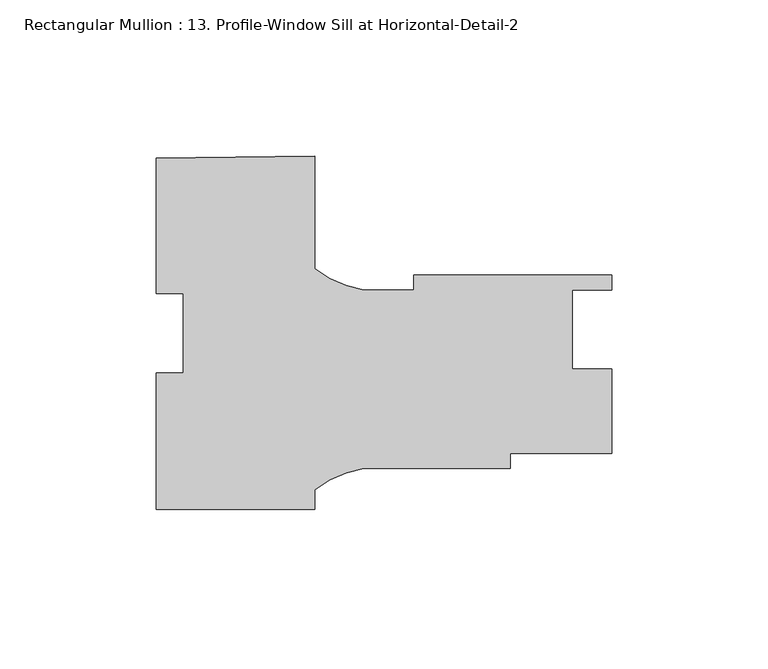
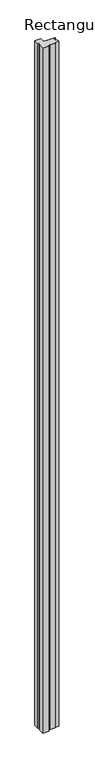
"""IFC4 building model written with IfcOpenShell, lengths in millimetres: member geometry, Rectangular Mullion : 13. Profile-Window Sill at Horizontal-Detail-2."""

from ifc_helpers import new_model, si_unit, point, frame, frame_2d, origin, place, context, project, spatial, polyline, circle_curve, trimmed, segment, composite_curve, outline, extrude, source, transform, mapped, element, save


def rectangular_mullion_13_profile_window_sill_at_horizontal_8af43064(model_context):
    return source(origin(), model_context, "Body", "SweptSolid", [
        extrude(outline(composite_curve([segment(polyline([(-25.4, 12.6845818), (-25.4, 56.1178234), (25.4, 56.7868313), (25.4, 20.6074542)]), True, "CONTINUOUS"), segment(trimmed(circle_curve(frame_2d((47.5843006, 50.1514913)), 36.945816), [point((25.4, 20.6074542))], [point((41.2187366, 13.7581826))], True, "CARTESIAN"), True, "CONTINUOUS"), segment(polyline([(41.2187366, 13.7581826), (57.1690504, 13.7581826), (57.1690504, 18.5206826), (120.65, 18.5206826), (120.65, 13.8216826), (107.95, 13.8216826), (107.95, -11.5783174), (120.6690504, -11.5783174), (120.6690504, -38.6293174), (88.1258329, -38.6293174), (88.1258329, -43.3918174), (41.2172861, -43.3918174)]), True, "CONTINUOUS"), segment(trimmed(circle_curve(frame_2d((47.5843006, -79.7848724)), 36.945816), [point((41.2172861, -43.3918174))], [point((25.4, -50.2408353))], True, "CARTESIAN"), True, "CONTINUOUS"), segment(polyline([(25.4, -50.2408353), (25.4, -56.5884504), (-25.4, -56.5884504), (-25.4, -12.8031166), (-16.66875, -12.8031166), (-16.66875, 12.6845818), (-25.4, 12.6845818)]), True, "CONTINUOUS")], self_intersect=False)), frame((0.0, 0.0, -6096.0), z_axis=(0.0, 0.0, 1.0), x_axis=(1.0, 0.0, 0.0)), (0.0, 0.0, 1.0), 6096.0),
    ])


if __name__ == "__main__":
    model = new_model("IFC4")
    model_context = context("Model", 3, world=origin())
    ifc_project = project(units=[si_unit("LENGTHUNIT", "METRE", prefix="MILLI")], contexts=[model_context])
    site = spatial("IfcSite", under=ifc_project)
    building = spatial("IfcBuilding", under=site)
    placement = place(None, origin())
    rectangular_mullion_13_profile_window_sill_at_horizontal_shape = rectangular_mullion_13_profile_window_sill_at_horizontal_8af43064(model_context)
    element("IfcMember", 1, ObjectType="Rectangular Mullion : 13. Profile-Window Sill at Horizontal-Detail-2", at=placement, inside=building, context=model_context, shape_type="MappedRepresentation", body=[
        mapped(rectangular_mullion_13_profile_window_sill_at_horizontal_shape, transform((0.0, 0.0, 0.0), x_axis=(1.0, 0.0, 0.0), y_axis=(0.0, 1.0, 0.0), z_axis=(0.0, 0.0, 1.0))),
    ])
    save(model, "model.ifc")
